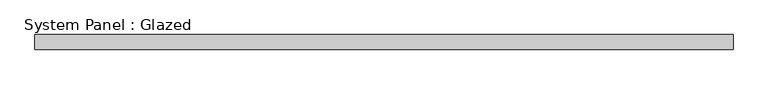
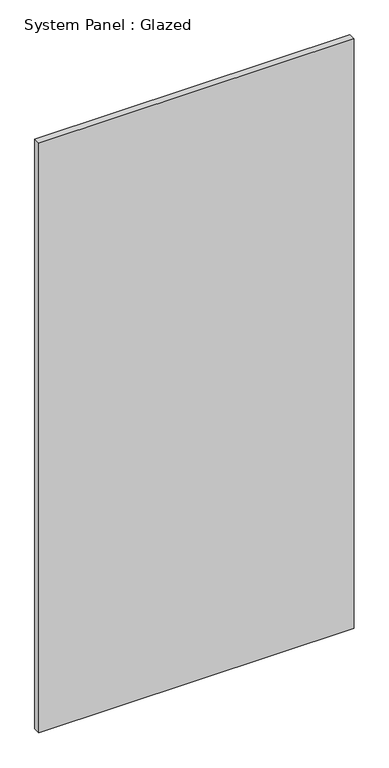
"""IFC4 building model written with IfcOpenShell, lengths in millimetres: plate geometry, System Panel : Glazed."""

from ifc_helpers import new_model, si_unit, origin, origin_with_axes, place, context, project, spatial, polyline, outline, extrude, source, transform, mapped, element, save


def system_panel_glazed_339d5a6e(model_context):
    return source(origin(), model_context, "Body", "SweptSolid", [
        extrude(outline(polyline([(592.455, 19.05), (-592.455, 19.05), (-592.455, 44.45), (592.455, 44.45), (592.455, 19.05)])), origin_with_axes(), (0.0, 0.0, 1.0), 2343.15),
    ])


if __name__ == "__main__":
    model = new_model("IFC4")
    model_context = context("Model", 3, world=origin())
    ifc_project = project(units=[si_unit("LENGTHUNIT", "METRE", prefix="MILLI")], contexts=[model_context])
    site = spatial("IfcSite", under=ifc_project)
    building = spatial("IfcBuilding", under=site)
    placement = place(None, origin())
    system_panel_glazed_shape = system_panel_glazed_339d5a6e(model_context)
    element("IfcPlate", 1, ObjectType="System Panel : Glazed", at=placement, inside=building, context=model_context, shape_type="MappedRepresentation", body=[
        mapped(system_panel_glazed_shape, transform((0.0, 0.0, 0.0), x_axis=(1.0, 0.0, 0.0), y_axis=(0.0, 1.0, 0.0), z_axis=(0.0, 0.0, 1.0))),
    ])
    save(model, "model.ifc")
